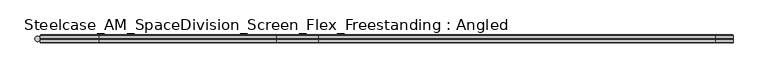
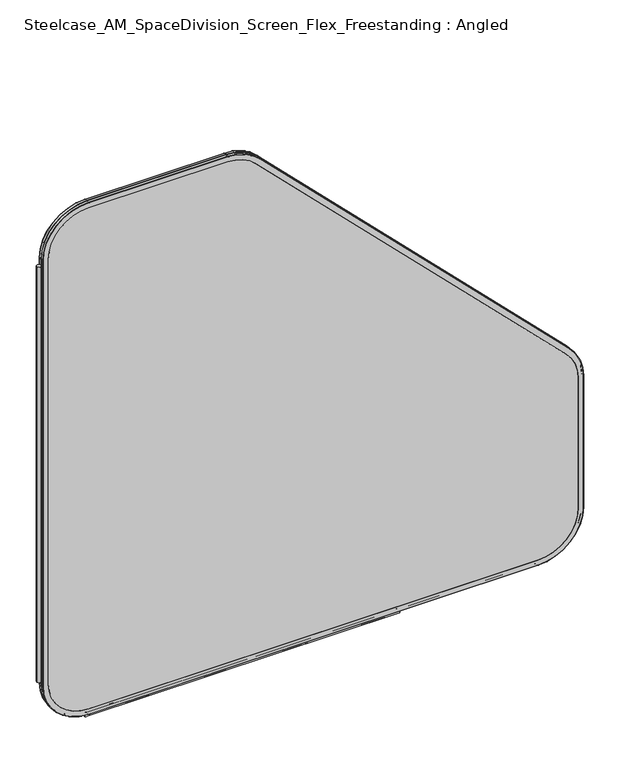
"""IFC4 building model written with IfcOpenShell, lengths in millimetres: furniture geometry, Steelcase_AM_SpaceDivision_Screen_Flex_Freestanding : Angled."""

from ifc_helpers import new_model, si_unit, point, frame, frame_2d, origin, place, context, project, spatial, polyline, circle_curve, ellipse_curve, trimmed, segment, composite_curve, outline, extrude, source, transform, mapped, element, save
from ifc_brep_helpers import plane_surface, cylinder_surface, revolved_surface, advanced_brep


def steelcase_am_spacedivision_screen_flex_freestanding_angled_c27280ca(model_context):
    return source(origin(), model_context, "Body", "SolidModel", [
        extrude(outline(composite_curve([segment(trimmed(circle_curve(frame_2d((4.5307839, 0.0)), 4.572), [point((-0.0412161, 0.0))], [point((9.1027839, 0.0))], False, "CARTESIAN"), True, "CONTINUOUS"), segment(trimmed(circle_curve(frame_2d((4.5307839, 0.0)), 4.572), [point((9.1027839, 0.0))], [point((-0.0412161, 0.0))], False, "CARTESIAN"), True, "CONTINUOUS")], self_intersect=False)), frame((0.0, 0.0, 115.57), z_axis=(0.0, 0.0, 1.0), x_axis=(1.0, 0.0, 0.0)), (0.0, 0.0, 1.0), 969.9585855),
        advanced_brep(
        [(110.7653521, 5.9845715, 4.9996464), (9.1653521, 5.9845715, 106.5996464), (10.0387806, 6.858, 106.5996464), (110.7653521, 6.858, 5.8730749), (110.7653521, 0.762, 4.9996464), (9.1653521, 0.762, 106.5996464), (110.7653521, 0.0, 5.7616464), (9.9273521, 0.0, 106.5996464), (110.7653521, 6.858, 17.6996464), (21.8653521, 6.858, 106.5996464), (21.8653521, 0.0, 106.5996464), (110.7653521, 0.0, 17.6996464), (1103.6053316, 6.858, 5.8730749), (1103.6053316, 5.9845715, 4.9996464), (1103.6053316, 0.762, 4.9996464), (1103.6053316, 0.0, 5.7616464), (1103.6053316, 0.0, 17.6996464), (1103.6053316, 6.858, 17.6996464), (1205.2053316, 5.9845715, 106.5996464), (1204.3319031, 6.858, 106.5996464), (1205.2053316, 0.762, 106.5996464), (1204.4433316, 0.0, 106.5996464), (1192.5053316, 6.858, 106.5996464), (1192.5053316, 0.0, 106.5996464), (1204.3319031, 6.858, 413.7098783), (1205.2053316, 5.9845715, 413.7098783), (1205.2053316, 0.762, 413.7098783), (1204.4433316, 0.0, 413.7098783), (1192.5053316, 0.0, 413.7098783), (1192.5053316, 6.858, 413.7098783), (1175.4473806, 5.9845715, 485.5519272), (1174.8297734, 6.858, 484.93432), (1175.4473806, 0.762, 485.5519272), (1174.9085652, 0.0, 485.0131119), (1166.4671245, 6.858, 476.5716711), (1166.4671245, 0.0, 476.5716711), (489.0410661, 6.858, 1170.7230273), (489.6586733, 5.9845715, 1171.3406345), (489.6586733, 0.762, 1171.3406345), (489.119858, 0.0, 1170.8018191), (480.6784172, 0.0, 1162.3603784), (480.6784172, 6.858, 1162.3603784), (417.8166244, 5.9845715, 1201.0985855), (417.8166244, 6.858, 1200.225157), (417.8166244, 0.762, 1201.0985855), (417.8166244, 0.0, 1200.3365855), (417.8166244, 6.858, 1188.3985855), (417.8166244, 0.0, 1188.3985855), (110.7653521, 6.858, 1200.225157), (110.7653521, 5.9845715, 1201.0985855), (110.7653521, 0.762, 1201.0985855), (110.7653521, 0.0, 1200.3365855), (110.7653521, 0.0, 1188.3985855), (110.7653521, 6.858, 1188.3985855), (9.1653521, 5.9845715, 1099.4985855), (10.0387806, 6.858, 1099.4985855), (9.1653521, 0.762, 1099.4985855), (9.9273521, 0.0, 1099.4985855), (21.8653521, 6.858, 1099.4985855), (21.8653521, 0.0, 1099.4985855)],
        [
            (0, 1, circle_curve(frame((110.7653521, 5.9845715, 106.5996464), z_axis=(0.0, 1.0, 0.0), x_axis=(-1.0, 0.0, 0.0)), 101.6)),
            (1, 2, circle_curve(frame((10.0387806, 5.9845715, 106.5996464), z_axis=(0.0, 0.0, -1.0), x_axis=(0.0, -1.0, 0.0)), 0.8734285)),
            (2, 3, circle_curve(frame((110.7653521, 6.858, 106.5996464), z_axis=(0.0, -1.0, 0.0), x_axis=(-1.0, 0.0, 0.0)), 100.7265715)),
            (3, 0, circle_curve(frame((110.7653521, 5.9845715, 5.8730749), z_axis=(-1.0, 0.0, 0.0), x_axis=(0.0, -1.0, 0.0)), 0.8734285)),
            (4, 5, circle_curve(frame((110.7653521, 0.762, 106.5996464), z_axis=(0.0, 1.0, 0.0), x_axis=(-1.0, 0.0, 0.0)), 101.6)),
            (5, 1),
            (0, 4),
            (6, 7, circle_curve(frame((110.7653521, 0.0, 106.5996464), z_axis=(0.0, 1.0, 0.0), x_axis=(-1.0, 0.0, 0.0)), 100.838)),
            (7, 5, circle_curve(frame((9.9273521, 0.762, 106.5996464), z_axis=(0.0, 0.0, -1.0), x_axis=(0.0, -1.0, 0.0)), 0.762)),
            (4, 6, circle_curve(frame((110.7653521, 0.762, 5.7616464), z_axis=(-1.0, 0.0, 0.0), x_axis=(0.0, -1.0, 0.0)), 0.762)),
            (8, 9, circle_curve(frame((110.7653521, 6.858, 106.5996464), z_axis=(0.0, 1.0, 0.0), x_axis=(-1.0, 0.0, 0.0)), 88.9)),
            (9, 10),
            (10, 11, circle_curve(frame((110.7653521, 0.0, 106.5996464), z_axis=(0.0, -1.0, 0.0), x_axis=(-1.0, 0.0, 0.0)), 88.9)),
            (11, 8),
            (3, 12),
            (12, 13, circle_curve(frame((1103.6053316, 5.9845715, 5.8730749), z_axis=(-1.0, 0.0, 0.0), x_axis=(0.0, -1.0, 0.0)), 0.8734285)),
            (13, 0),
            (13, 14),
            (14, 4),
            (14, 15, circle_curve(frame((1103.6053316, 0.762, 5.7616464), z_axis=(-1.0, 0.0, 0.0), x_axis=(0.0, -1.0, 0.0)), 0.762)),
            (15, 6),
            (11, 16),
            (16, 17),
            (17, 8),
            (18, 13, circle_curve(frame((1103.6053316, 5.9845715, 106.5996464), z_axis=(0.0, 1.0, 0.0), x_axis=(0.0, 0.0, -1.0)), 101.6)),
            (12, 19, circle_curve(frame((1103.6053316, 6.858, 106.5996464), z_axis=(0.0, -1.0, 0.0), x_axis=(0.0, 0.0, -1.0)), 100.7265715)),
            (19, 18, circle_curve(frame((1204.3319031, 5.9845715, 106.5996464), z_axis=(0.0, 0.0, -1.0), x_axis=(0.0, -1.0, 0.0)), 0.8734285)),
            (20, 14, circle_curve(frame((1103.6053316, 0.762, 106.5996464), z_axis=(0.0, 1.0, 0.0), x_axis=(0.0, 0.0, -1.0)), 101.6)),
            (18, 20),
            (21, 15, circle_curve(frame((1103.6053316, 0.0, 106.5996464), z_axis=(0.0, 1.0, 0.0), x_axis=(0.0, 0.0, -1.0)), 100.838)),
            (20, 21, circle_curve(frame((1204.4433316, 0.762, 106.5996464), z_axis=(0.0, 0.0, -1.0), x_axis=(0.0, -1.0, 0.0)), 0.762)),
            (22, 17, circle_curve(frame((1103.6053316, 6.858, 106.5996464), z_axis=(0.0, 1.0, 0.0), x_axis=(0.0, 0.0, -1.0)), 88.9)),
            (16, 23, circle_curve(frame((1103.6053316, 0.0, 106.5996464), z_axis=(0.0, -1.0, 0.0), x_axis=(0.0, 0.0, -1.0)), 88.9)),
            (23, 22),
            (19, 24),
            (24, 25, circle_curve(frame((1204.3319031, 5.9845715, 413.7098783), z_axis=(0.0, 0.0, -1.0), x_axis=(0.0, -1.0, 0.0)), 0.8734285)),
            (25, 18),
            (25, 26),
            (26, 20),
            (26, 27, circle_curve(frame((1204.4433316, 0.762, 413.7098783), z_axis=(0.0, 0.0, -1.0), x_axis=(0.0, -1.0, 0.0)), 0.762)),
            (27, 21),
            (23, 28),
            (28, 29),
            (29, 22),
            (30, 25, circle_curve(frame((1103.6053316, 5.9845715, 413.7098783), z_axis=(0.0, 1.0, 0.0), x_axis=(1.0, 0.0, 0.0)), 101.6)),
            (24, 31, circle_curve(frame((1103.6053316, 6.858, 413.7098783), z_axis=(0.0, -1.0, 0.0), x_axis=(1.0, 0.0, 0.0)), 100.7265715)),
            (31, 30, circle_curve(frame((1174.8297734, 5.9845715, 484.93432), z_axis=(0.7071067811865452, 0.0, -0.7071067811865498), x_axis=(0.0, -1.0, 0.0)), 0.8734285)),
            (32, 26, circle_curve(frame((1103.6053316, 0.762, 413.7098783), z_axis=(0.0, 1.0, 0.0), x_axis=(1.0, 0.0, 0.0)), 101.6)),
            (30, 32),
            (33, 27, circle_curve(frame((1103.6053316, 0.0, 413.7098783), z_axis=(0.0, 1.0, 0.0), x_axis=(1.0, 0.0, 0.0)), 100.838)),
            (32, 33, circle_curve(frame((1174.9085652, 0.762, 485.0131119), z_axis=(0.7071067811865456, 0.0, -0.7071067811865496), x_axis=(0.0, -1.0, 0.0)), 0.762)),
            (34, 29, circle_curve(frame((1103.6053316, 6.858, 413.7098783), z_axis=(0.0, 1.0, 0.0), x_axis=(1.0, 0.0, 0.0)), 88.9)),
            (28, 35, circle_curve(frame((1103.6053316, 0.0, 413.7098783), z_axis=(0.0, -1.0, 0.0), x_axis=(1.0, 0.0, 0.0)), 88.9)),
            (35, 34),
            (31, 36),
            (36, 37, circle_curve(frame((489.0410661, 5.9845715, 1170.7230273), z_axis=(0.7071067811865461, 0.0, -0.7071067811865489), x_axis=(0.0, -1.0, 0.0)), 0.8734285)),
            (37, 30),
            (37, 38),
            (38, 32),
            (38, 39, circle_curve(frame((489.119858, 0.762, 1170.8018191), z_axis=(0.7071067811865461, 0.0, -0.7071067811865489), x_axis=(0.0, -1.0, 0.0)), 0.762)),
            (39, 33),
            (35, 40),
            (40, 41),
            (41, 34),
            (42, 37, circle_curve(frame((417.8166244, 5.9845715, 1099.4985855), z_axis=(0.0, 1.0, 0.0), x_axis=(0.7071067811865533, 0.0, 0.7071067811865417)), 101.6)),
            (36, 43, circle_curve(frame((417.8166244, 6.858, 1099.4985855), z_axis=(0.0, -1.0, 0.0), x_axis=(0.7071067811865533, 0.0, 0.7071067811865417)), 100.7265715)),
            (43, 42, circle_curve(frame((417.8166244, 5.9845715, 1200.225157), z_axis=(1.0, 0.0, 0.0), x_axis=(0.0, -1.0, 0.0)), 0.8734285)),
            (44, 38, circle_curve(frame((417.8166244, 0.762, 1099.4985855), z_axis=(0.0, 1.0, 0.0), x_axis=(0.7071067811865533, 0.0, 0.7071067811865417)), 101.6)),
            (42, 44),
            (45, 39, circle_curve(frame((417.8166244, 0.0, 1099.4985855), z_axis=(0.0, 1.0, 0.0), x_axis=(0.7071067811865533, 0.0, 0.7071067811865417)), 100.838)),
            (44, 45, circle_curve(frame((417.8166244, 0.762, 1200.3365855), z_axis=(1.0, 0.0, 0.0), x_axis=(0.0, -1.0, 0.0)), 0.762)),
            (46, 41, circle_curve(frame((417.8166244, 6.858, 1099.4985855), z_axis=(0.0, 1.0, 0.0), x_axis=(0.7071067811865533, 0.0, 0.7071067811865417)), 88.9)),
            (40, 47, circle_curve(frame((417.8166244, 0.0, 1099.4985855), z_axis=(0.0, -1.0, 0.0), x_axis=(0.7071067811865533, 0.0, 0.7071067811865417)), 88.9)),
            (47, 46),
            (43, 48),
            (48, 49, circle_curve(frame((110.7653521, 5.9845715, 1200.225157), z_axis=(1.0, 0.0, 0.0), x_axis=(0.0, -1.0, 0.0)), 0.8734285)),
            (49, 42),
            (49, 50),
            (50, 44),
            (50, 51, circle_curve(frame((110.7653521, 0.762, 1200.3365855), z_axis=(1.0, 0.0, 0.0), x_axis=(0.0, -1.0, 0.0)), 0.762)),
            (51, 45),
            (47, 52),
            (52, 53),
            (53, 46),
            (54, 49, circle_curve(frame((110.7653521, 5.9845715, 1099.4985855), z_axis=(0.0, 1.0, 0.0), x_axis=(0.0, 0.0, 1.0)), 101.6)),
            (48, 55, circle_curve(frame((110.7653521, 6.858, 1099.4985855), z_axis=(0.0, -1.0, 0.0), x_axis=(0.0, 0.0, 1.0)), 100.7265715)),
            (55, 54, circle_curve(frame((10.0387806, 5.9845715, 1099.4985855), z_axis=(0.0, 0.0, 1.0), x_axis=(0.0, -1.0, 0.0)), 0.8734285)),
            (56, 50, circle_curve(frame((110.7653521, 0.762, 1099.4985855), z_axis=(0.0, 1.0, 0.0), x_axis=(0.0, 0.0, 1.0)), 101.6)),
            (54, 56),
            (57, 51, circle_curve(frame((110.7653521, 0.0, 1099.4985855), z_axis=(0.0, 1.0, 0.0), x_axis=(0.0, 0.0, 1.0)), 100.838)),
            (56, 57, circle_curve(frame((9.9273521, 0.762, 1099.4985855), z_axis=(0.0, 0.0, 1.0), x_axis=(0.0, -1.0, 0.0)), 0.762)),
            (58, 53, circle_curve(frame((110.7653521, 6.858, 1099.4985855), z_axis=(0.0, 1.0, 0.0), x_axis=(0.0, 0.0, 1.0)), 88.9)),
            (52, 59, circle_curve(frame((110.7653521, 0.0, 1099.4985855), z_axis=(0.0, -1.0, 0.0), x_axis=(0.0, 0.0, 1.0)), 88.9)),
            (59, 58),
            (2, 55),
            (58, 9),
            (1, 54),
            (5, 56),
            (7, 57),
            (10, 59),
        ],
        [
            revolved_surface(trimmed(ellipse_curve(frame((10.0387806, 5.9845715, 106.5996464), z_axis=(0.0, 0.0, 1.0), x_axis=(0.0, -1.0, 0.0)), 0.8734285, 0.8734285), [point((10.0387806, 6.858, 106.5996464))], [point((9.1653521, 5.9845715, 106.5996464))], True, "CARTESIAN"), (110.7653521, 0.0, 106.5996464), (0.0, -1.0, 0.0)),
            cylinder_surface(frame((110.7653521, 0.0, 106.5996464), z_axis=(0.0, -1.0, 0.0), x_axis=(-1.0, 0.0, 0.0)), 101.6),
            revolved_surface(trimmed(ellipse_curve(frame((9.9273521, 0.762, 106.5996464), z_axis=(0.0, 0.0, 1.0), x_axis=(0.0, -1.0, 0.0)), 0.762, 0.762), [point((9.1653521, 0.762, 106.5996464))], [point((9.9273521, 0.0, 106.5996464))], True, "CARTESIAN"), (110.7653521, 0.0, 106.5996464), (0.0, -1.0, 0.0)),
            revolved_surface(polyline([(21.865352099999996, 0.0, 106.5996464), (21.865352099999996, 6.858, 106.5996464)]), (110.7653521, 0.0, 106.5996464), (0.0, -1.0, 0.0)),
            cylinder_surface(frame((110.7653521, 5.9845715, 5.8730749), z_axis=(-1.0, 0.0, 0.0), x_axis=(0.0, -1.0, 0.0)), 0.8734285),
            plane_surface(frame((110.7653521, 5.9845715, 4.9996464), z_axis=(0.0, 0.0, -1.0), x_axis=(1.0, 0.0, 0.0))),
            cylinder_surface(frame((110.7653521, 0.762, 5.7616464), z_axis=(-1.0, 0.0, 0.0), x_axis=(0.0, -1.0, 0.0)), 0.762),
            plane_surface(frame((110.7653521, 0.0, 17.6996464), z_axis=(0.0, 0.0, 1.0), x_axis=(1.0, 0.0, 0.0))),
            revolved_surface(trimmed(ellipse_curve(frame((1103.6053316, 5.9845715, 5.8730749), z_axis=(-1.0, 0.0, 0.0), x_axis=(0.0, -1.0, 0.0)), 0.8734285, 0.8734285), [point((1103.6053316, 6.858, 5.8730749))], [point((1103.6053316, 5.9845715, 4.9996464))], True, "CARTESIAN"), (1103.6053316, 0.0, 106.5996464), (0.0, -1.0, 0.0)),
            cylinder_surface(frame((1103.6053316, 0.0, 106.5996464), z_axis=(0.0, -1.0, 0.0), x_axis=(0.0, 0.0, -1.0)), 101.6),
            revolved_surface(trimmed(ellipse_curve(frame((1103.6053316, 0.762, 5.7616464), z_axis=(-1.0, 0.0, 0.0), x_axis=(0.0, -1.0, 0.0)), 0.762, 0.762), [point((1103.6053316, 0.762, 4.9996464))], [point((1103.6053316, 0.0, 5.7616464))], True, "CARTESIAN"), (1103.6053316, 0.0, 106.5996464), (0.0, -1.0, 0.0)),
            revolved_surface(polyline([(1103.6053316, 0.0, 17.699646399999992), (1103.6053316, 6.858, 17.699646399999992)]), (1103.6053316, 0.0, 106.5996464), (0.0, -1.0, 0.0)),
            cylinder_surface(frame((1204.3319031, 5.9845715, 106.5996464), z_axis=(0.0, 0.0, -1.0), x_axis=(0.0, -1.0, 0.0)), 0.8734285),
            plane_surface(frame((1205.2053316, 5.9845715, 106.5996464), z_axis=(1.0, 0.0, 0.0), x_axis=(0.0, 0.0, 1.0))),
            cylinder_surface(frame((1204.4433316, 0.762, 106.5996464), z_axis=(0.0, 0.0, -1.0), x_axis=(0.0, -1.0, 0.0)), 0.762),
            plane_surface(frame((1192.5053316, 0.0, 106.5996464), z_axis=(-1.0, 0.0, 0.0), x_axis=(0.0, 0.0, 1.0))),
            revolved_surface(trimmed(ellipse_curve(frame((1204.3319031, 5.9845715, 413.7098783), z_axis=(0.0, 0.0, -1.0), x_axis=(0.0, -1.0, 0.0)), 0.8734285, 0.8734285), [point((1204.3319031, 6.858, 413.7098783))], [point((1205.2053316, 5.9845715, 413.7098783))], True, "CARTESIAN"), (1103.6053316, 0.0, 413.7098783), (0.0, -1.0, 0.0)),
            cylinder_surface(frame((1103.6053316, 0.0, 413.7098783), z_axis=(0.0, -1.0, 0.0), x_axis=(1.0, 0.0, 0.0)), 101.6),
            revolved_surface(trimmed(ellipse_curve(frame((1204.4433316, 0.762, 413.7098783), z_axis=(0.0, 0.0, -1.0), x_axis=(0.0, -1.0, 0.0)), 0.762, 0.762), [point((1205.2053316, 0.762, 413.7098783))], [point((1204.4433316, 0.0, 413.7098783))], True, "CARTESIAN"), (1103.6053316, 0.0, 413.7098783), (0.0, -1.0, 0.0)),
            revolved_surface(polyline([(1192.5053316, 0.0, 413.7098783), (1192.5053316, 6.858, 413.7098783)]), (1103.6053316, 0.0, 413.7098783), (0.0, -1.0, 0.0)),
            cylinder_surface(frame((1174.8297734, 5.9845715, 484.93432), z_axis=(0.7071067811865461, 0.0, -0.7071067811865489), x_axis=(0.0, -1.0, 0.0)), 0.8734285),
            plane_surface(frame((1175.4473806, 5.9845715, 485.5519272), z_axis=(0.7071067811865491, 0.0, 0.707106781186546), x_axis=(-0.707106781186546, 0.0, 0.7071067811865491))),
            cylinder_surface(frame((1174.9085652, 0.762, 485.0131119), z_axis=(0.7071067811865461, 0.0, -0.7071067811865489), x_axis=(0.0, -1.0, 0.0)), 0.762),
            plane_surface(frame((1166.4671245, 0.0, 476.5716711), z_axis=(-0.7071067811865491, 0.0, -0.7071067811865459), x_axis=(-0.7071067811865459, 0.0, 0.7071067811865491))),
            revolved_surface(trimmed(ellipse_curve(frame((489.0410661, 5.9845715, 1170.7230273), z_axis=(0.7071067811865419, 0.0, -0.7071067811865531), x_axis=(0.0, -1.0, 0.0)), 0.8734285, 0.8734285), [point((489.0410661, 6.858, 1170.7230273))], [point((489.6586733, 5.9845715, 1171.3406345))], True, "CARTESIAN"), (417.8166244, 0.0, 1099.4985855), (0.0, -1.0, 0.0)),
            cylinder_surface(frame((417.8166244, 0.0, 1099.4985855), z_axis=(0.0, -1.0, 0.0), x_axis=(0.7071067811865533, 0.0, 0.7071067811865417)), 101.6),
            revolved_surface(trimmed(ellipse_curve(frame((489.119858, 0.762, 1170.8018191), z_axis=(0.7071067811865419, 0.0, -0.7071067811865531), x_axis=(0.0, -1.0, 0.0)), 0.762, 0.762), [point((489.6586733, 0.762, 1171.3406345))], [point((489.119858, 0.0, 1170.8018191))], True, "CARTESIAN"), (417.8166244, 0.0, 1099.4985855), (0.0, -1.0, 0.0)),
            revolved_surface(polyline([(480.6784172474846, 0.0, 1162.3603783474834), (480.6784172474846, 6.858, 1162.3603783474834)]), (417.8166244, 0.0, 1099.4985855), (0.0, -1.0, 0.0)),
            cylinder_surface(frame((417.8166244, 5.9845715, 1200.225157), z_axis=(1.0, 0.0, 0.0), x_axis=(0.0, -1.0, 0.0)), 0.8734285),
            plane_surface(frame((417.8166244, 5.9845715, 1201.0985855), z_axis=(0.0, 0.0, 1.0), x_axis=(-1.0, 0.0, 0.0))),
            cylinder_surface(frame((417.8166244, 0.762, 1200.3365855), z_axis=(1.0, 0.0, 0.0), x_axis=(0.0, -1.0, 0.0)), 0.762),
            plane_surface(frame((417.8166244, 0.0, 1188.3985855), z_axis=(0.0, 0.0, -1.0), x_axis=(-1.0, 0.0, 0.0))),
            revolved_surface(trimmed(ellipse_curve(frame((110.7653521, 5.9845715, 1200.225157), z_axis=(1.0, 0.0, 0.0), x_axis=(0.0, -1.0, 0.0)), 0.8734285, 0.8734285), [point((110.7653521, 6.858, 1200.225157))], [point((110.7653521, 5.9845715, 1201.0985855))], True, "CARTESIAN"), (110.7653521, 0.0, 1099.4985855), (0.0, -1.0, 0.0)),
            cylinder_surface(frame((110.7653521, 0.0, 1099.4985855), z_axis=(0.0, -1.0, 0.0), x_axis=(0.0, 0.0, 1.0)), 101.6),
            revolved_surface(trimmed(ellipse_curve(frame((110.7653521, 0.762, 1200.3365855), z_axis=(1.0, 0.0, 0.0), x_axis=(0.0, -1.0, 0.0)), 0.762, 0.762), [point((110.7653521, 0.762, 1201.0985855))], [point((110.7653521, 0.0, 1200.3365855))], True, "CARTESIAN"), (110.7653521, 0.0, 1099.4985855), (0.0, -1.0, 0.0)),
            revolved_surface(polyline([(110.7653521, 0.0, 1188.3985855), (110.7653521, 6.858, 1188.3985855)]), (110.7653521, 0.0, 1099.4985855), (0.0, -1.0, 0.0)),
            plane_surface(frame((21.8653521, 6.858, 1099.4985855), z_axis=(0.0, 1.0, 0.0), x_axis=(0.0, 0.0, -1.0))),
            cylinder_surface(frame((10.0387806, 5.9845715, 1099.4985855), z_axis=(0.0, 0.0, 1.0), x_axis=(0.0, -1.0, 0.0)), 0.8734285),
            plane_surface(frame((9.1653521, 5.9845715, 1099.4985855), z_axis=(-1.0, 0.0, 0.0), x_axis=(0.0, 0.0, -1.0))),
            cylinder_surface(frame((9.9273521, 0.762, 1099.4985855), z_axis=(0.0, 0.0, 1.0), x_axis=(0.0, -1.0, 0.0)), 0.762),
            plane_surface(frame((9.9273521, 0.0, 1099.4985855), z_axis=(0.0, -1.0, 0.0), x_axis=(0.0, 0.0, -1.0))),
            plane_surface(frame((21.8653521, 0.0, 1099.4985855), z_axis=(1.0, 0.0, 0.0), x_axis=(0.0, 0.0, -1.0))),
        ],
        [
            (0, [[1, 2, 3, 4]]),
            (1, [[5, 6, -1, 7]]),
            (2, [[8, 9, -5, 10]]),
            (3, [[11, 12, 13, 14]]),
            (4, [[-4, 15, 16, 17]]),
            (5, [[-7, -17, 18, 19]]),
            (6, [[-10, -19, 20, 21]]),
            (7, [[-14, 22, 23, 24]]),
            (8, [[25, -16, 26, 27]]),
            (9, [[28, -18, -25, 29]]),
            (10, [[30, -20, -28, 31]]),
            (11, [[32, -23, 33, 34]]),
            (12, [[-27, 35, 36, 37]]),
            (13, [[-29, -37, 38, 39]]),
            (14, [[-31, -39, 40, 41]]),
            (15, [[-34, 42, 43, 44]]),
            (16, [[45, -36, 46, 47]]),
            (17, [[48, -38, -45, 49]]),
            (18, [[50, -40, -48, 51]]),
            (19, [[52, -43, 53, 54]]),
            (20, [[-47, 55, 56, 57]]),
            (21, [[-49, -57, 58, 59]]),
            (22, [[-51, -59, 60, 61]]),
            (23, [[-54, 62, 63, 64]]),
            (24, [[65, -56, 66, 67]]),
            (25, [[68, -58, -65, 69]]),
            (26, [[70, -60, -68, 71]]),
            (27, [[72, -63, 73, 74]]),
            (28, [[-67, 75, 76, 77]]),
            (29, [[-69, -77, 78, 79]]),
            (30, [[-71, -79, 80, 81]]),
            (31, [[-74, 82, 83, 84]]),
            (32, [[85, -76, 86, 87]]),
            (33, [[88, -78, -85, 89]]),
            (34, [[90, -80, -88, 91]]),
            (35, [[92, -83, 93, 94]]),
            (36, [[95, -86, -75, -66, -55, -46, -35, -26, -15, -3], [-84, -92, 96, -11, -24, -32, -44, -52, -64, -72]]),
            (37, [[-87, -95, -2, 97]]),
            (38, [[-89, -97, -6, 98]]),
            (39, [[-91, -98, -9, 99]]),
            (40, [[-81, -90, -99, -8, -21, -30, -41, -50, -61, -70], [100, -93, -82, -73, -62, -53, -42, -33, -22, -13]]),
            (41, [[-94, -100, -12, -96]]),
        ],
    ),
        advanced_brep(
        [(110.7653521, -0.762, 4.9996464), (9.1653521, -0.762, 106.5996464), (9.9273521, 0.0, 106.5996464), (110.7653521, 0.0, 5.7616464), (110.7653521, -6.096, 4.9996464), (9.1653521, -6.096, 106.5996464), (110.7653521, -6.858, 5.7616464), (9.9273521, -6.858, 106.5996464), (110.7653521, 0.0, 17.6996464), (21.8653521, 0.0, 106.5996464), (21.8653521, -6.858, 106.5996464), (110.7653521, -6.858, 17.6996464), (1103.6053316, 0.0, 5.7616464), (1103.6053316, -0.762, 4.9996464), (1103.6053316, -6.096, 4.9996464), (1103.6053316, -6.858, 5.7616464), (1103.6053316, -6.858, 17.6996464), (1103.6053316, 0.0, 17.6996464), (1205.2053316, -0.762, 106.5996464), (1204.4433316, 0.0, 106.5996464), (1205.2053316, -6.096, 106.5996464), (1204.4433316, -6.858, 106.5996464), (1192.5053316, 0.0, 106.5996464), (1192.5053316, -6.858, 106.5996464), (1204.4433316, 0.0, 413.7098783), (1205.2053316, -0.762, 413.7098783), (1205.2053316, -6.096, 413.7098783), (1204.4433316, -6.858, 413.7098783), (1192.5053316, -6.858, 413.7098783), (1192.5053316, 0.0, 413.7098783), (1175.4473806, -0.762, 485.5519272), (1174.9085652, 0.0, 485.0131119), (1175.4473806, -6.096, 485.5519272), (1174.9085652, -6.858, 485.0131119), (1166.4671245, 0.0, 476.5716711), (1166.4671245, -6.858, 476.5716711), (489.119858, 0.0, 1170.8018191), (489.6586733, -0.762, 1171.3406345), (489.6586733, -6.096, 1171.3406345), (489.119858, -6.858, 1170.8018191), (480.6784172, -6.858, 1162.3603784), (480.6784172, 0.0, 1162.3603784), (417.8166244, -0.762, 1201.0985855), (417.8166244, 0.0, 1200.3365855), (417.8166244, -6.096, 1201.0985855), (417.8166244, -6.858, 1200.3365855), (417.8166244, 0.0, 1188.3985855), (417.8166244, -6.858, 1188.3985855), (110.7653521, 0.0, 1200.3365855), (110.7653521, -0.762, 1201.0985855), (110.7653521, -6.096, 1201.0985855), (110.7653521, -6.858, 1200.3365855), (110.7653521, -6.858, 1188.3985855), (110.7653521, 0.0, 1188.3985855), (9.1653521, -0.762, 1099.4985855), (9.9273521, 0.0, 1099.4985855), (9.1653521, -6.096, 1099.4985855), (9.9273521, -6.858, 1099.4985855), (21.8653521, 0.0, 1099.4985855), (21.8653521, -6.858, 1099.4985855)],
        [
            (0, 1, circle_curve(frame((110.7653521, -0.762, 106.5996464), z_axis=(0.0, 1.0, 0.0), x_axis=(-1.0, 0.0, 0.0)), 101.6)),
            (1, 2, circle_curve(frame((9.9273521, -0.762, 106.5996464), z_axis=(0.0, 0.0, -1.0), x_axis=(0.0, -1.0, 0.0)), 0.762)),
            (2, 3, circle_curve(frame((110.7653521, 0.0, 106.5996464), z_axis=(0.0, -1.0, 0.0), x_axis=(-1.0, 0.0, 0.0)), 100.838)),
            (3, 0, circle_curve(frame((110.7653521, -0.762, 5.7616464), z_axis=(-1.0, 0.0, 0.0), x_axis=(0.0, -1.0, 0.0)), 0.762)),
            (4, 5, circle_curve(frame((110.7653521, -6.096, 106.5996464), z_axis=(0.0, 1.0, 0.0), x_axis=(-1.0, 0.0, 0.0)), 101.6)),
            (5, 1),
            (0, 4),
            (6, 7, circle_curve(frame((110.7653521, -6.858, 106.5996464), z_axis=(0.0, 1.0, 0.0), x_axis=(-1.0, 0.0, 0.0)), 100.838)),
            (7, 5, circle_curve(frame((9.9273521, -6.096, 106.5996464), z_axis=(0.0, 0.0, -1.0), x_axis=(0.0, -1.0, 0.0)), 0.762)),
            (4, 6, circle_curve(frame((110.7653521, -6.096, 5.7616464), z_axis=(-1.0, 0.0, 0.0), x_axis=(0.0, -1.0, 0.0)), 0.762)),
            (8, 9, circle_curve(frame((110.7653521, 0.0, 106.5996464), z_axis=(0.0, 1.0, 0.0), x_axis=(-1.0, 0.0, 0.0)), 88.9)),
            (9, 10),
            (10, 11, circle_curve(frame((110.7653521, -6.858, 106.5996464), z_axis=(0.0, -1.0, 0.0), x_axis=(-1.0, 0.0, 0.0)), 88.9)),
            (11, 8),
            (3, 12),
            (12, 13, circle_curve(frame((1103.6053316, -0.762, 5.7616464), z_axis=(-1.0, 0.0, 0.0), x_axis=(0.0, -1.0, 0.0)), 0.762)),
            (13, 0),
            (13, 14),
            (14, 4),
            (14, 15, circle_curve(frame((1103.6053316, -6.096, 5.7616464), z_axis=(-1.0, 0.0, 0.0), x_axis=(0.0, -1.0, 0.0)), 0.762)),
            (15, 6),
            (11, 16),
            (16, 17),
            (17, 8),
            (18, 13, circle_curve(frame((1103.6053316, -0.762, 106.5996464), z_axis=(0.0, 1.0, 0.0), x_axis=(0.0, 0.0, -1.0)), 101.6)),
            (12, 19, circle_curve(frame((1103.6053316, 0.0, 106.5996464), z_axis=(0.0, -1.0, 0.0), x_axis=(0.0, 0.0, -1.0)), 100.838)),
            (19, 18, circle_curve(frame((1204.4433316, -0.762, 106.5996464), z_axis=(0.0, 0.0, -1.0), x_axis=(0.0, -1.0, 0.0)), 0.762)),
            (20, 14, circle_curve(frame((1103.6053316, -6.096, 106.5996464), z_axis=(0.0, 1.0, 0.0), x_axis=(0.0, 0.0, -1.0)), 101.6)),
            (18, 20),
            (21, 15, circle_curve(frame((1103.6053316, -6.858, 106.5996464), z_axis=(0.0, 1.0, 0.0), x_axis=(0.0, 0.0, -1.0)), 100.838)),
            (20, 21, circle_curve(frame((1204.4433316, -6.096, 106.5996464), z_axis=(0.0, 0.0, -1.0), x_axis=(0.0, -1.0, 0.0)), 0.762)),
            (22, 17, circle_curve(frame((1103.6053316, 0.0, 106.5996464), z_axis=(0.0, 1.0, 0.0), x_axis=(0.0, 0.0, -1.0)), 88.9)),
            (16, 23, circle_curve(frame((1103.6053316, -6.858, 106.5996464), z_axis=(0.0, -1.0, 0.0), x_axis=(0.0, 0.0, -1.0)), 88.9)),
            (23, 22),
            (19, 24),
            (24, 25, circle_curve(frame((1204.4433316, -0.762, 413.7098783), z_axis=(0.0, 0.0, -1.0), x_axis=(0.0, -1.0, 0.0)), 0.762)),
            (25, 18),
            (25, 26),
            (26, 20),
            (26, 27, circle_curve(frame((1204.4433316, -6.096, 413.7098783), z_axis=(0.0, 0.0, -1.0), x_axis=(0.0, -1.0, 0.0)), 0.762)),
            (27, 21),
            (23, 28),
            (28, 29),
            (29, 22),
            (30, 25, circle_curve(frame((1103.6053316, -0.762, 413.7098783), z_axis=(0.0, 1.0, 0.0), x_axis=(1.0, 0.0, 0.0)), 101.6)),
            (24, 31, circle_curve(frame((1103.6053316, 0.0, 413.7098783), z_axis=(0.0, -1.0, 0.0), x_axis=(1.0, 0.0, 0.0)), 100.838)),
            (31, 30, circle_curve(frame((1174.9085652, -0.762, 485.0131119), z_axis=(0.7071067811865452, 0.0, -0.7071067811865498), x_axis=(0.0, -1.0, 0.0)), 0.762)),
            (32, 26, circle_curve(frame((1103.6053316, -6.096, 413.7098783), z_axis=(0.0, 1.0, 0.0), x_axis=(1.0, 0.0, 0.0)), 101.6)),
            (30, 32),
            (33, 27, circle_curve(frame((1103.6053316, -6.858, 413.7098783), z_axis=(0.0, 1.0, 0.0), x_axis=(1.0, 0.0, 0.0)), 100.838)),
            (32, 33, circle_curve(frame((1174.9085652, -6.096, 485.0131119), z_axis=(0.7071067811865449, 0.0, -0.7071067811865501), x_axis=(0.0, -1.0, 0.0)), 0.762)),
            (34, 29, circle_curve(frame((1103.6053316, 0.0, 413.7098783), z_axis=(0.0, 1.0, 0.0), x_axis=(1.0, 0.0, 0.0)), 88.9)),
            (28, 35, circle_curve(frame((1103.6053316, -6.858, 413.7098783), z_axis=(0.0, -1.0, 0.0), x_axis=(1.0, 0.0, 0.0)), 88.9)),
            (35, 34),
            (31, 36),
            (36, 37, circle_curve(frame((489.119858, -0.762, 1170.8018191), z_axis=(0.7071067811865462, 0.0, -0.707106781186549), x_axis=(0.0, -1.0, 0.0)), 0.762)),
            (37, 30),
            (37, 38),
            (38, 32),
            (38, 39, circle_curve(frame((489.119858, -6.096, 1170.8018191), z_axis=(0.7071067811865462, 0.0, -0.707106781186549), x_axis=(0.0, -1.0, 0.0)), 0.762)),
            (39, 33),
            (35, 40),
            (40, 41),
            (41, 34),
            (42, 37, circle_curve(frame((417.8166244, -0.762, 1099.4985855), z_axis=(0.0, 1.0, 0.0), x_axis=(0.7071067811865546, 0.0, 0.7071067811865404)), 101.6)),
            (36, 43, circle_curve(frame((417.8166244, 0.0, 1099.4985855), z_axis=(0.0, -1.0, 0.0), x_axis=(0.7071067811865546, 0.0, 0.7071067811865404)), 100.838)),
            (43, 42, circle_curve(frame((417.8166244, -0.762, 1200.3365855), z_axis=(0.9999999999999999, 0.0, 0.0), x_axis=(0.0, -1.0, 0.0)), 0.762)),
            (44, 38, circle_curve(frame((417.8166244, -6.096, 1099.4985855), z_axis=(0.0, 1.0, 0.0), x_axis=(0.7071067811865546, 0.0, 0.7071067811865404)), 101.6)),
            (42, 44),
            (45, 39, circle_curve(frame((417.8166244, -6.858, 1099.4985855), z_axis=(0.0, 1.0, 0.0), x_axis=(0.7071067811865546, 0.0, 0.7071067811865404)), 100.838)),
            (44, 45, circle_curve(frame((417.8166244, -6.096, 1200.3365855), z_axis=(0.9999999999999999, 0.0, 0.0), x_axis=(0.0, -1.0, 0.0)), 0.762)),
            (46, 41, circle_curve(frame((417.8166244, 0.0, 1099.4985855), z_axis=(0.0, 1.0, 0.0), x_axis=(0.7071067811865546, 0.0, 0.7071067811865404)), 88.9)),
            (40, 47, circle_curve(frame((417.8166244, -6.858, 1099.4985855), z_axis=(0.0, -1.0, 0.0), x_axis=(0.7071067811865546, 0.0, 0.7071067811865404)), 88.9)),
            (47, 46),
            (43, 48),
            (48, 49, circle_curve(frame((110.7653521, -0.762, 1200.3365855), z_axis=(1.0, 0.0, 0.0), x_axis=(0.0, -1.0, 0.0)), 0.762)),
            (49, 42),
            (49, 50),
            (50, 44),
            (50, 51, circle_curve(frame((110.7653521, -6.096, 1200.3365855), z_axis=(1.0, 0.0, 0.0), x_axis=(0.0, -1.0, 0.0)), 0.762)),
            (51, 45),
            (47, 52),
            (52, 53),
            (53, 46),
            (54, 49, circle_curve(frame((110.7653521, -0.762, 1099.4985855), z_axis=(0.0, 1.0, 0.0), x_axis=(0.0, 0.0, 1.0)), 101.6)),
            (48, 55, circle_curve(frame((110.7653521, 0.0, 1099.4985855), z_axis=(0.0, -1.0, 0.0), x_axis=(0.0, 0.0, 1.0)), 100.838)),
            (55, 54, circle_curve(frame((9.9273521, -0.762, 1099.4985855), z_axis=(0.0, 0.0, 1.0), x_axis=(0.0, -1.0, 0.0)), 0.762)),
            (56, 50, circle_curve(frame((110.7653521, -6.096, 1099.4985855), z_axis=(0.0, 1.0, 0.0), x_axis=(0.0, 0.0, 1.0)), 101.6)),
            (54, 56),
            (57, 51, circle_curve(frame((110.7653521, -6.858, 1099.4985855), z_axis=(0.0, 1.0, 0.0), x_axis=(0.0, 0.0, 1.0)), 100.838)),
            (56, 57, circle_curve(frame((9.9273521, -6.096, 1099.4985855), z_axis=(0.0, 0.0, 1.0), x_axis=(0.0, -1.0, 0.0)), 0.762)),
            (58, 53, circle_curve(frame((110.7653521, 0.0, 1099.4985855), z_axis=(0.0, 1.0, 0.0), x_axis=(0.0, 0.0, 1.0)), 88.9)),
            (52, 59, circle_curve(frame((110.7653521, -6.858, 1099.4985855), z_axis=(0.0, -1.0, 0.0), x_axis=(0.0, 0.0, 1.0)), 88.9)),
            (59, 58),
            (2, 55),
            (58, 9),
            (1, 54),
            (5, 56),
            (7, 57),
            (10, 59),
        ],
        [
            revolved_surface(trimmed(ellipse_curve(frame((9.9273521, -0.762, 106.5996464), z_axis=(0.0, 0.0, 1.0), x_axis=(0.0, -1.0, 0.0)), 0.762, 0.762), [point((9.9273521, 0.0, 106.5996464))], [point((9.1653521, -0.762, 106.5996464))], True, "CARTESIAN"), (110.7653521, 0.0, 106.5996464), (0.0, -1.0, 0.0)),
            cylinder_surface(frame((110.7653521, 0.0, 106.5996464), z_axis=(0.0, -1.0, 0.0), x_axis=(-1.0, 0.0, 0.0)), 101.6),
            revolved_surface(trimmed(ellipse_curve(frame((9.9273521, -6.096, 106.5996464), z_axis=(0.0, 0.0, 1.0), x_axis=(0.0, -1.0, 0.0)), 0.762, 0.762), [point((9.1653521, -6.096, 106.5996464))], [point((9.9273521, -6.858, 106.5996464))], True, "CARTESIAN"), (110.7653521, 0.0, 106.5996464), (0.0, -1.0, 0.0)),
            revolved_surface(polyline([(21.865352099999996, -6.858, 106.5996464), (21.865352099999996, 0.0, 106.5996464)]), (110.7653521, 0.0, 106.5996464), (0.0, -1.0, 0.0)),
            cylinder_surface(frame((110.7653521, -0.762, 5.7616464), z_axis=(-1.0, 0.0, 0.0), x_axis=(0.0, -1.0, 0.0)), 0.762),
            plane_surface(frame((110.7653521, -0.762, 4.9996464), z_axis=(0.0, 0.0, -1.0), x_axis=(1.0, 0.0, 0.0))),
            cylinder_surface(frame((110.7653521, -6.096, 5.7616464), z_axis=(-1.0, 0.0, 0.0), x_axis=(0.0, -1.0, 0.0)), 0.762),
            plane_surface(frame((110.7653521, -6.858, 17.6996464), z_axis=(0.0, 0.0, 1.0), x_axis=(1.0, 0.0, 0.0))),
            revolved_surface(trimmed(ellipse_curve(frame((1103.6053316, -0.762, 5.7616464), z_axis=(-1.0, 0.0, 0.0), x_axis=(0.0, -1.0, 0.0)), 0.762, 0.762), [point((1103.6053316, 0.0, 5.7616464))], [point((1103.6053316, -0.762, 4.9996464))], True, "CARTESIAN"), (1103.6053316, 0.0, 106.5996464), (0.0, -1.0, 0.0)),
            cylinder_surface(frame((1103.6053316, 0.0, 106.5996464), z_axis=(0.0, -1.0, 0.0), x_axis=(0.0, 0.0, -1.0)), 101.6),
            revolved_surface(trimmed(ellipse_curve(frame((1103.6053316, -6.096, 5.7616464), z_axis=(-1.0, 0.0, 0.0), x_axis=(0.0, -1.0, 0.0)), 0.762, 0.762), [point((1103.6053316, -6.096, 4.9996464))], [point((1103.6053316, -6.858, 5.7616464))], True, "CARTESIAN"), (1103.6053316, 0.0, 106.5996464), (0.0, -1.0, 0.0)),
            revolved_surface(polyline([(1103.6053316, -6.858, 17.699646399999992), (1103.6053316, 0.0, 17.699646399999992)]), (1103.6053316, 0.0, 106.5996464), (0.0, -1.0, 0.0)),
            cylinder_surface(frame((1204.4433316, -0.762, 106.5996464), z_axis=(0.0, 0.0, -1.0), x_axis=(0.0, -1.0, 0.0)), 0.762),
            plane_surface(frame((1205.2053316, -0.762, 106.5996464), z_axis=(1.0, 0.0, 0.0), x_axis=(0.0, 0.0, 1.0))),
            cylinder_surface(frame((1204.4433316, -6.096, 106.5996464), z_axis=(0.0, 0.0, -1.0), x_axis=(0.0, -1.0, 0.0)), 0.762),
            plane_surface(frame((1192.5053316, -6.858, 106.5996464), z_axis=(-1.0, 0.0, 0.0), x_axis=(0.0, 0.0, 1.0))),
            revolved_surface(trimmed(ellipse_curve(frame((1204.4433316, -0.762, 413.7098783), z_axis=(0.0, 0.0, -1.0), x_axis=(0.0, -1.0, 0.0)), 0.762, 0.762), [point((1204.4433316, 0.0, 413.7098783))], [point((1205.2053316, -0.762, 413.7098783))], True, "CARTESIAN"), (1103.6053316, 0.0, 413.7098783), (0.0, -1.0, 0.0)),
            cylinder_surface(frame((1103.6053316, 0.0, 413.7098783), z_axis=(0.0, -1.0, 0.0), x_axis=(1.0, 0.0, 0.0)), 101.6),
            revolved_surface(trimmed(ellipse_curve(frame((1204.4433316, -6.096, 413.7098783), z_axis=(0.0, 0.0, -1.0), x_axis=(0.0, -1.0, 0.0)), 0.762, 0.762), [point((1205.2053316, -6.096, 413.7098783))], [point((1204.4433316, -6.858, 413.7098783))], True, "CARTESIAN"), (1103.6053316, 0.0, 413.7098783), (0.0, -1.0, 0.0)),
            revolved_surface(polyline([(1192.5053316, -6.858, 413.7098783), (1192.5053316, 0.0, 413.7098783)]), (1103.6053316, 0.0, 413.7098783), (0.0, -1.0, 0.0)),
            cylinder_surface(frame((1174.9085652, -0.762, 485.0131119), z_axis=(0.7071067811865462, 0.0, -0.707106781186549), x_axis=(0.0, -1.0, 0.0)), 0.762),
            plane_surface(frame((1175.4473806, -0.762, 485.5519272), z_axis=(0.7071067811865491, 0.0, 0.707106781186546), x_axis=(-0.707106781186546, 0.0, 0.7071067811865491))),
            cylinder_surface(frame((1174.9085652, -6.096, 485.0131119), z_axis=(0.7071067811865462, 0.0, -0.707106781186549), x_axis=(0.0, -1.0, 0.0)), 0.762),
            plane_surface(frame((1166.4671245, -6.858, 476.5716711), z_axis=(-0.707106781186549, 0.0, -0.707106781186546), x_axis=(-0.707106781186546, 0.0, 0.707106781186549))),
            revolved_surface(trimmed(ellipse_curve(frame((489.119858, -0.762, 1170.8018191), z_axis=(0.7071067811865405, 0.0, -0.7071067811865545), x_axis=(0.0, -1.0, 0.0)), 0.762, 0.762), [point((489.119858, 0.0, 1170.8018191))], [point((489.6586733, -0.762, 1171.3406345))], True, "CARTESIAN"), (417.8166244, 0.0, 1099.4985855), (0.0, -1.0, 0.0)),
            cylinder_surface(frame((417.8166244, 0.0, 1099.4985855), z_axis=(0.0, -1.0, 0.0), x_axis=(0.7071067811865546, 0.0, 0.7071067811865404)), 101.6),
            revolved_surface(trimmed(ellipse_curve(frame((489.119858, -6.096, 1170.8018191), z_axis=(0.7071067811865405, 0.0, -0.7071067811865545), x_axis=(0.0, -1.0, 0.0)), 0.762, 0.762), [point((489.6586733, -6.096, 1171.3406345))], [point((489.119858, -6.858, 1170.8018191))], True, "CARTESIAN"), (417.8166244, 0.0, 1099.4985855), (0.0, -1.0, 0.0)),
            revolved_surface(polyline([(480.67841724748473, -6.858, 1162.3603783474834), (480.67841724748473, 0.0, 1162.3603783474834)]), (417.8166244, 0.0, 1099.4985855), (0.0, -1.0, 0.0)),
            cylinder_surface(frame((417.8166244, -0.762, 1200.3365855), z_axis=(1.0, 0.0, 0.0), x_axis=(0.0, -1.0, 0.0)), 0.762),
            plane_surface(frame((417.8166244, -0.762, 1201.0985855), z_axis=(0.0, 0.0, 1.0), x_axis=(-1.0, 0.0, 0.0))),
            cylinder_surface(frame((417.8166244, -6.096, 1200.3365855), z_axis=(1.0, 0.0, 0.0), x_axis=(0.0, -1.0, 0.0)), 0.762),
            plane_surface(frame((417.8166244, -6.858, 1188.3985855), z_axis=(0.0, 0.0, -1.0), x_axis=(-1.0, 0.0, 0.0))),
            revolved_surface(trimmed(ellipse_curve(frame((110.7653521, -0.762, 1200.3365855), z_axis=(1.0, 0.0, 0.0), x_axis=(0.0, -1.0, 0.0)), 0.762, 0.762), [point((110.7653521, 0.0, 1200.3365855))], [point((110.7653521, -0.762, 1201.0985855))], True, "CARTESIAN"), (110.7653521, 0.0, 1099.4985855), (0.0, -1.0, 0.0)),
            cylinder_surface(frame((110.7653521, 0.0, 1099.4985855), z_axis=(0.0, -1.0, 0.0), x_axis=(0.0, 0.0, 1.0)), 101.6),
            revolved_surface(trimmed(ellipse_curve(frame((110.7653521, -6.096, 1200.3365855), z_axis=(1.0, 0.0, 0.0), x_axis=(0.0, -1.0, 0.0)), 0.762, 0.762), [point((110.7653521, -6.096, 1201.0985855))], [point((110.7653521, -6.858, 1200.3365855))], True, "CARTESIAN"), (110.7653521, 0.0, 1099.4985855), (0.0, -1.0, 0.0)),
            revolved_surface(polyline([(110.7653521, -6.858, 1188.3985855), (110.7653521, 0.0, 1188.3985855)]), (110.7653521, 0.0, 1099.4985855), (0.0, -1.0, 0.0)),
            plane_surface(frame((21.8653521, 0.0, 1099.4985855), z_axis=(0.0, 1.0, 0.0), x_axis=(0.0, 0.0, -1.0))),
            cylinder_surface(frame((9.9273521, -0.762, 1099.4985855), z_axis=(0.0, 0.0, 1.0), x_axis=(0.0, -1.0, 0.0)), 0.762),
            plane_surface(frame((9.1653521, -0.762, 1099.4985855), z_axis=(-1.0, 0.0, 0.0), x_axis=(0.0, 0.0, -1.0))),
            cylinder_surface(frame((9.9273521, -6.096, 1099.4985855), z_axis=(0.0, 0.0, 1.0), x_axis=(0.0, -1.0, 0.0)), 0.762),
            plane_surface(frame((9.9273521, -6.858, 1099.4985855), z_axis=(0.0, -1.0, 0.0), x_axis=(0.0, 0.0, -1.0))),
            plane_surface(frame((21.8653521, -6.858, 1099.4985855), z_axis=(1.0, 0.0, 0.0), x_axis=(0.0, 0.0, -1.0))),
        ],
        [
            (0, [[1, 2, 3, 4]]),
            (1, [[5, 6, -1, 7]]),
            (2, [[8, 9, -5, 10]]),
            (3, [[11, 12, 13, 14]]),
            (4, [[-4, 15, 16, 17]]),
            (5, [[-7, -17, 18, 19]]),
            (6, [[-10, -19, 20, 21]]),
            (7, [[-14, 22, 23, 24]]),
            (8, [[25, -16, 26, 27]]),
            (9, [[28, -18, -25, 29]]),
            (10, [[30, -20, -28, 31]]),
            (11, [[32, -23, 33, 34]]),
            (12, [[-27, 35, 36, 37]]),
            (13, [[-29, -37, 38, 39]]),
            (14, [[-31, -39, 40, 41]]),
            (15, [[-34, 42, 43, 44]]),
            (16, [[45, -36, 46, 47]]),
            (17, [[48, -38, -45, 49]]),
            (18, [[50, -40, -48, 51]]),
            (19, [[52, -43, 53, 54]]),
            (20, [[-47, 55, 56, 57]]),
            (21, [[-49, -57, 58, 59]]),
            (22, [[-51, -59, 60, 61]]),
            (23, [[-54, 62, 63, 64]]),
            (24, [[65, -56, 66, 67]]),
            (25, [[68, -58, -65, 69]]),
            (26, [[70, -60, -68, 71]]),
            (27, [[72, -63, 73, 74]]),
            (28, [[-67, 75, 76, 77]]),
            (29, [[-69, -77, 78, 79]]),
            (30, [[-71, -79, 80, 81]]),
            (31, [[-74, 82, 83, 84]]),
            (32, [[85, -76, 86, 87]]),
            (33, [[88, -78, -85, 89]]),
            (34, [[90, -80, -88, 91]]),
            (35, [[92, -83, 93, 94]]),
            (36, [[95, -86, -75, -66, -55, -46, -35, -26, -15, -3], [-84, -92, 96, -11, -24, -32, -44, -52, -64, -72]]),
            (37, [[-87, -95, -2, 97]]),
            (38, [[-89, -97, -6, 98]]),
            (39, [[-91, -98, -9, 99]]),
            (40, [[-81, -90, -99, -8, -21, -30, -41, -50, -61, -70], [100, -93, -82, -73, -62, -53, -42, -33, -22, -13]]),
            (41, [[-94, -100, -12, -96]]),
        ],
    ),
        extrude(outline(composite_curve([segment(polyline([(1188.3985855, 417.8166244), (1188.3985855, 110.7653521)]), True, "CONTINUOUS"), segment(trimmed(circle_curve(frame_2d((1099.4985855, 110.7653521)), 88.9), [point((1188.3985855, 110.7653521))], [point((1099.4985855, 21.8653521))], False, "CARTESIAN"), True, "CONTINUOUS"), segment(polyline([(1099.4985855, 21.8653521), (106.5996464, 21.8653521)]), True, "CONTINUOUS"), segment(trimmed(circle_curve(frame_2d((106.5996464, 110.7653521)), 88.9), [point((106.5996464, 21.8653521))], [point((17.6996464, 110.7653521))], False, "CARTESIAN"), True, "CONTINUOUS"), segment(polyline([(17.6996464, 110.7653521), (17.6996464, 1103.6053316)]), True, "CONTINUOUS"), segment(trimmed(circle_curve(frame_2d((106.5996464, 1103.6053316)), 88.9), [point((17.6996464, 1103.6053316))], [point((106.5996464, 1192.5053316))], False, "CARTESIAN"), True, "CONTINUOUS"), segment(polyline([(106.5996464, 1192.5053316), (413.7098783, 1192.5053316)]), True, "CONTINUOUS"), segment(trimmed(circle_curve(frame_2d((413.7098783, 1103.6053316)), 88.9), [point((413.7098783, 1192.5053316))], [point((476.5716711, 1166.4671245))], False, "CARTESIAN"), True, "CONTINUOUS"), segment(polyline([(476.5716711, 1166.4671245), (1162.3603784, 480.6784172)]), True, "CONTINUOUS"), segment(trimmed(circle_curve(frame_2d((1099.4985855, 417.8166244)), 88.9), [point((1162.3603784, 480.6784172))], [point((1188.3985855, 417.8166244))], False, "CARTESIAN"), True, "CONTINUOUS")], self_intersect=False)), frame((0.0, 0.0, 0.0), z_axis=(0.0, 1.0, 0.0), x_axis=(0.0, 0.0, 1.0)), (0.0, 0.0, 1.0), 6.858),
        extrude(outline(composite_curve([segment(polyline([(1188.3985855, 417.8166244), (1188.3985855, 110.7653521)]), True, "CONTINUOUS"), segment(trimmed(circle_curve(frame_2d((1099.4985855, 110.7653521)), 88.9), [point((1188.3985855, 110.7653521))], [point((1099.4985855, 21.8653521))], False, "CARTESIAN"), True, "CONTINUOUS"), segment(polyline([(1099.4985855, 21.8653521), (106.5996464, 21.8653521)]), True, "CONTINUOUS"), segment(trimmed(circle_curve(frame_2d((106.5996464, 110.7653521)), 88.9), [point((106.5996464, 21.8653521))], [point((17.6996464, 110.7653521))], False, "CARTESIAN"), True, "CONTINUOUS"), segment(polyline([(17.6996464, 110.7653521), (17.6996464, 1103.6053316)]), True, "CONTINUOUS"), segment(trimmed(circle_curve(frame_2d((106.5996464, 1103.6053316)), 88.9), [point((17.6996464, 1103.6053316))], [point((106.5996464, 1192.5053316))], False, "CARTESIAN"), True, "CONTINUOUS"), segment(polyline([(106.5996464, 1192.5053316), (413.7098783, 1192.5053316)]), True, "CONTINUOUS"), segment(trimmed(circle_curve(frame_2d((413.7098783, 1103.6053316)), 88.9), [point((413.7098783, 1192.5053316))], [point((476.5716711, 1166.4671245))], False, "CARTESIAN"), True, "CONTINUOUS"), segment(polyline([(476.5716711, 1166.4671245), (1162.3603784, 480.6784172)]), True, "CONTINUOUS"), segment(trimmed(circle_curve(frame_2d((1099.4985855, 417.8166244)), 88.9), [point((1162.3603784, 480.6784172))], [point((1188.3985855, 417.8166244))], False, "CARTESIAN"), True, "CONTINUOUS")], self_intersect=False)), frame((0.0, -6.858, 0.0), z_axis=(0.0, 1.0, 0.0), x_axis=(0.0, 0.0, 1.0)), (0.0, 0.0, 1.0), 6.858),
        extrude(outline(composite_curve([segment(trimmed(circle_curve(frame_2d((3.5, 2.4751953)), 2.5), [point((3.5, 4.9751953))], [point((1.4656663, 1.0220998))], False, "CARTESIAN"), True, "CONTINUOUS"), segment(trimmed(circle_curve(frame_2d((0.0, -0.0248047)), 1.8011626), [point((1.4656663, 1.0220998))], [point((-1.4656663, 1.0220998))], True, "CARTESIAN"), True, "CONTINUOUS"), segment(trimmed(circle_curve(frame_2d((-3.5, 2.4751953)), 2.5), [point((-1.4656663, 1.0220998))], [point((-3.5, 4.9751953))], False, "CARTESIAN"), True, "CONTINUOUS"), segment(trimmed(circle_curve(frame_2d((-3.5, 4.4751953)), 0.5), [point((-3.5, 4.9751953))], [point((-3.5, 3.9751953))], False, "CARTESIAN"), True, "CONTINUOUS"), segment(trimmed(circle_curve(frame_2d((-3.5, 2.4751953)), 1.5), [point((-3.5, 3.9751953))], [point((-2.3025096, 1.5718589))], True, "CARTESIAN"), True, "CONTINUOUS"), segment(trimmed(circle_curve(frame_2d((-10.3325937, 7.629417)), 10.0586411), [point((-2.3025096, 1.5718589))], [point((-0.714976, 4.6836248))], True, "CARTESIAN"), True, "CONTINUOUS"), segment(trimmed(circle_curve(frame_2d((0.0, 4.4646339)), 0.7477618), [point((-0.714976, 4.6836248))], [point((0.714976, 4.6836248))], False, "CARTESIAN"), True, "CONTINUOUS"), segment(trimmed(circle_curve(frame_2d((10.3325937, 7.629417)), 10.0586411), [point((0.714976, 4.6836248))], [point((2.3025096, 1.5718589))], True, "CARTESIAN"), True, "CONTINUOUS"), segment(trimmed(circle_curve(frame_2d((3.5, 2.4751953)), 1.5), [point((2.3025096, 1.5718589))], [point((3.5, 3.9751953))], True, "CARTESIAN"), True, "CONTINUOUS"), segment(trimmed(circle_curve(frame_2d((3.5, 4.4751953)), 0.5), [point((3.5, 3.9751953))], [point((3.5, 4.9751953))], False, "CARTESIAN"), True, "CONTINUOUS")], self_intersect=False)), frame((104.1640108, 0.0, 0.0), z_axis=(1.0, 0.0, 0.0), x_axis=(0.0, 1.0, 0.0)), (0.0, 0.0, 1.0), 694.9777209),
    ])


if __name__ == "__main__":
    model = new_model("IFC4")
    model_context = context("Model", 3, world=origin())
    ifc_project = project(units=[si_unit("LENGTHUNIT", "METRE", prefix="MILLI")], contexts=[model_context])
    site = spatial("IfcSite", under=ifc_project)
    building = spatial("IfcBuilding", under=site)
    placement = place(None, origin())
    steelcase_am_spacedivision_screen_flex_freestanding_angled_shape = steelcase_am_spacedivision_screen_flex_freestanding_angled_c27280ca(model_context)
    element("IfcFurniture", 1, ObjectType="Steelcase_AM_SpaceDivision_Screen_Flex_Freestanding : Angled", at=placement, inside=building, context=model_context, shape_type="MappedRepresentation", body=[
        mapped(steelcase_am_spacedivision_screen_flex_freestanding_angled_shape, transform((0.0, 0.0, 0.0), x_axis=(1.0, 0.0, 0.0), y_axis=(0.0, 1.0, 0.0), z_axis=(0.0, 0.0, 1.0))),
    ])
    save(model, "model.ifc")
